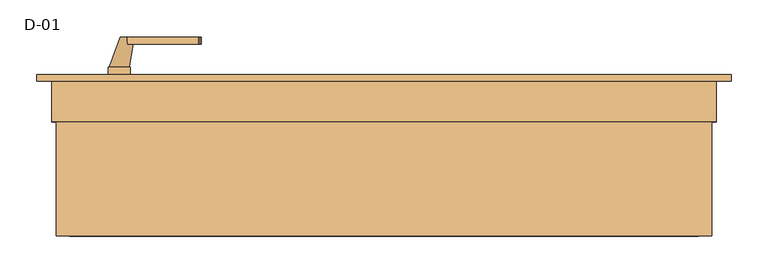
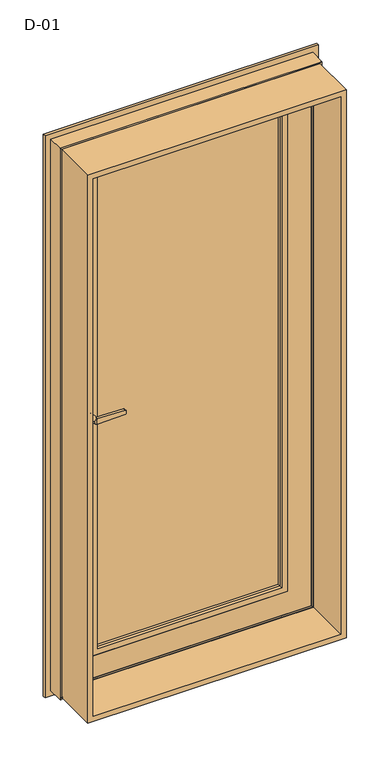
"""IFC4 building model written with IfcOpenShell, lengths in millimetres: door geometry, D-01."""

from ifc_helpers import new_model, si_unit, point, frame, frame_2d, origin, place, context, project, spatial, polyline, circle_curve, ellipse_curve, trimmed, segment, composite_curve, outline, extrude, faceted_brep, source, transform, mapped, element, save
from ifc_brep_helpers import plane_surface, cylinder_surface, revolved_surface, spline_surface, advanced_brep


def d_01_2412ff20(model_context):
    return source(origin(), model_context, "Body", "SolidModel", [
        extrude(outline(polyline([(329.0295117, 106.6069746), (329.0295117, 80.6069746), (-329.0295117, 80.6069746), (-329.0295117, 106.6069746), (329.0295117, 106.6069746)])), frame((0.0, 0.0, 120.9704883), z_axis=(0.0, 0.0, 1.0), x_axis=(1.0, 0.0, 0.0)), (0.0, 0.0, 1.0), 1758.0590235),
        extrude(outline(polyline([(1993.8, 443.8), (1993.8, -443.8), (6.2, -443.8), (6.2, 443.8), (1993.8, 443.8)]), holes=[polyline([(24.7, 425.3), (24.7, -425.3), (1975.3, -425.3), (1975.3, 425.3), (24.7, 425.3)])]), frame((0.0, -100.0, 0.0), z_axis=(0.0, 1.0, 0.0), x_axis=(0.0, 0.0, 1.0)), (0.0, 0.0, 1.0), 165.9999813),
        extrude(outline(composite_curve([segment(polyline([(895.7, -353.529519), (908.3261365, -353.529519)]), True, "CONTINUOUS"), segment(trimmed(circle_curve(frame_2d((915.2, -358.529519)), 8.5), [point((908.3261365, -353.529519))], [point((908.3261365, -363.529519))], False, "CARTESIAN"), True, "CONTINUOUS"), segment(polyline([(908.3261365, -363.529519), (895.7, -363.529519)]), True, "CONTINUOUS"), segment(trimmed(circle_curve(frame_2d((895.7, -358.529519)), 5.0), [point((895.7, -363.529519))], [point((895.7, -353.529519))], False, "CARTESIAN"), True, "CONTINUOUS")], self_intersect=False)), frame((0.0, 118.9997902, 0.0), z_axis=(0.0, 1.0, 0.0), x_axis=(0.0, 0.0, 1.0)), (0.0, 0.0, 1.0), 11.0),
        extrude(outline(composite_curve([segment(trimmed(circle_curve(frame_2d((956.1155661, -358.529519)), 97.2636214), [point((860.0, -373.429519))], [point((860.0, -343.629519))], False, "CARTESIAN"), True, "CONTINUOUS"), segment(polyline([(860.0, -343.629519), (1078.5, -343.629519)]), True, "CONTINUOUS"), segment(trimmed(circle_curve(frame_2d((982.3844339, -358.529519)), 97.2636214), [point((1078.5, -343.629519))], [point((1078.5, -373.429519))], False, "CARTESIAN"), True, "CONTINUOUS"), segment(polyline([(1078.5, -373.429519), (860.0, -373.429519)]), True, "CONTINUOUS")], self_intersect=False), holes=[composite_curve([segment(polyline([(895.7, -363.529519), (908.3261365, -363.529519)]), True, "CONTINUOUS"), segment(trimmed(circle_curve(frame_2d((915.2, -358.529519)), 8.5), [point((908.3261365, -363.529519))], [point((908.3261365, -353.529519))], True, "CARTESIAN"), True, "CONTINUOUS"), segment(polyline([(908.3261365, -353.529519), (895.7, -353.529519)]), True, "CONTINUOUS"), segment(trimmed(circle_curve(frame_2d((895.7, -358.529519)), 5.0), [point((895.7, -353.529519))], [point((895.7, -363.529519))], True, "CARTESIAN"), True, "CONTINUOUS")], self_intersect=False)]), frame((0.0, 118.9997902, 0.0), z_axis=(0.0, 1.0, 0.0), x_axis=(0.0, 0.0, 1.0)), (0.0, 0.0, 1.0), 10.0),
        extrude(outline(composite_curve([segment(polyline([(1009.5, -347.529519), (990.5, -347.529519), (993.0308731, -250.8793747)]), True, "CONTINUOUS"), segment(trimmed(circle_curve(frame_2d((995.0301877, -250.9317286)), 2.0), [point((993.0308731, -250.8793747))], [point((994.5125497, -248.9998769))], False, "CARTESIAN"), True, "CONTINUOUS"), segment(polyline([(994.5125497, -248.9998769), (1000.0, -247.529519), (1005.4874503, -248.9998769)]), True, "CONTINUOUS"), segment(trimmed(circle_curve(frame_2d((1004.9698123, -250.9317286)), 2.0), [point((1005.4874503, -248.9998769))], [point((1006.9691269, -250.8793747))], False, "CARTESIAN"), True, "CONTINUOUS"), segment(polyline([(1006.9691269, -250.8793747), (1009.5, -347.529519)]), True, "CONTINUOUS")], self_intersect=False)), frame((0.0, 159.9997902, 0.0), z_axis=(0.0, 1.0, 0.0), x_axis=(0.0, 0.0, 1.0)), (0.0, 0.0, 1.0), 10.0),
        advanced_brep(
        [(-357.029519, 169.9997902, 1000.0), (-338.029519, 169.9997902, 1000.0), (-371.929519, 128.9997902, 1000.0), (-345.129519, 128.9997902, 1000.0)],
        [
            (0, 1, circle_curve(frame((-347.529519, 169.9997902, 1000.0), z_axis=(0.0, 1.0, 0.0), x_axis=(1.0, 0.0, 0.0)), 9.5)),
            (1, 0, circle_curve(frame((-347.529519, 169.9997902, 1000.0), z_axis=(0.0, 1.0, 0.0), x_axis=(1.0, 0.0, 0.0)), 9.5)),
            (2, 3, circle_curve(frame((-358.529519, 128.9997902, 1000.0), z_axis=(0.0, -1.0, 0.0), x_axis=(1.0, 0.0, 0.0)), 13.4)),
            (3, 2, circle_curve(frame((-358.529519, 128.9997902, 1000.0), z_axis=(0.0, -1.0, 0.0), x_axis=(1.0, 0.0, 0.0)), 13.4)),
            (2, 0),
            (1, 3),
        ],
        [
            plane_surface(frame((-347.529519, 169.9997902, 1000.0), z_axis=(0.0, 1.0, 0.0), x_axis=(0.0, 0.0, -1.0))),
            plane_surface(frame((-358.529519, 128.9997902, 1000.0), z_axis=(0.0, -1.0, 0.0), x_axis=(0.0, 0.0, -1.0))),
            spline_surface(1, 2, [[(-371.929519, 128.9997902, 1000.0), (-371.929519, 128.9997902, 986.5999999999999), (-358.529519, 128.9997902, 986.5999999999999), (-345.12951899999996, 128.9997902, 986.5999999999999), (-345.129519, 128.9997902, 1000.0)], [(-357.029519, 169.9997902, 1000.0), (-357.029519, 169.9997902, 990.5), (-347.529519, 169.9997902, 990.5), (-338.029519, 169.9997902, 990.5), (-338.029519, 169.9997902, 1000.0)]], [2, 2], [3, 2, 3], [0.0, 1.0], [0.0, 1.0, 2.0], weights=[[1.0, 0.7071067811865476, 1.0, 0.707106781186546, 1.0], [1.0, 0.7071067811865476, 1.0, 0.707106781186546, 1.0]]),
            spline_surface(1, 2, [[(-345.129519, 128.9997902, 1000.0), (-345.129519, 128.9997902, 1013.4), (-358.529519, 128.9997902, 1013.4), (-371.92951899999997, 128.9997902, 1013.3999999999999), (-371.929519, 128.9997902, 1000.0)], [(-338.029519, 169.9997902, 1000.0), (-338.029519, 169.9997902, 1009.5), (-347.529519, 169.9997902, 1009.5), (-357.029519, 169.9997902, 1009.5), (-357.029519, 169.9997902, 1000.0)]], [2, 2], [3, 2, 3], [0.0, 1.0], [0.0, 1.0, 2.0], weights=[[1.0, 0.7071067811865476, 1.0, 0.707106781186549, 1.0], [1.0, 0.7071067811865476, 1.0, 0.707106781186549, 1.0]]),
        ],
        [
            (0, [[1, 2]]),
            (1, [[3, 4]]),
            (2, [[5, -2, 6, -3]]),
            (3, [[-6, -1, -5, -4]]),
        ],
    ),
        extrude(outline(composite_curve([segment(polyline([(895.7, -353.529519), (908.3261365, -353.529519)]), True, "CONTINUOUS"), segment(trimmed(circle_curve(frame_2d((915.2, -358.529519)), 8.5), [point((908.3261365, -353.529519))], [point((908.3261365, -363.529519))], False, "CARTESIAN"), True, "CONTINUOUS"), segment(polyline([(908.3261365, -363.529519), (895.7, -363.529519)]), True, "CONTINUOUS"), segment(trimmed(circle_curve(frame_2d((895.7, -358.529519)), 5.0), [point((895.7, -363.529519))], [point((895.7, -353.529519))], False, "CARTESIAN"), True, "CONTINUOUS")], self_intersect=False)), frame((0.0, 50.9997823, 0.0), z_axis=(0.0, 1.0, 0.0), x_axis=(0.0, 0.0, 1.0)), (0.0, 0.0, 1.0), 11.0),
        extrude(outline(composite_curve([segment(trimmed(circle_curve(frame_2d((956.1155661, -358.529519)), 97.2636214), [point((860.0, -373.429519))], [point((860.0, -343.629519))], False, "CARTESIAN"), True, "CONTINUOUS"), segment(polyline([(860.0, -343.629519), (1078.5, -343.629519)]), True, "CONTINUOUS"), segment(trimmed(circle_curve(frame_2d((982.3844339, -358.529519)), 97.2636214), [point((1078.5, -343.629519))], [point((1078.5, -373.429519))], False, "CARTESIAN"), True, "CONTINUOUS"), segment(polyline([(1078.5, -373.429519), (860.0, -373.429519)]), True, "CONTINUOUS")], self_intersect=False), holes=[composite_curve([segment(polyline([(895.7, -363.529519), (908.3261365, -363.529519)]), True, "CONTINUOUS"), segment(trimmed(circle_curve(frame_2d((915.2, -358.529519)), 8.5), [point((908.3261365, -363.529519))], [point((908.3261365, -353.529519))], True, "CARTESIAN"), True, "CONTINUOUS"), segment(polyline([(908.3261365, -353.529519), (895.7, -353.529519)]), True, "CONTINUOUS"), segment(trimmed(circle_curve(frame_2d((895.7, -358.529519)), 5.0), [point((895.7, -353.529519))], [point((895.7, -363.529519))], True, "CARTESIAN"), True, "CONTINUOUS")], self_intersect=False)]), frame((0.0, 51.9997823, 0.0), z_axis=(0.0, 1.0, 0.0), x_axis=(0.0, 0.0, 1.0)), (0.0, 0.0, 1.0), 10.0),
        extrude(outline(composite_curve([segment(polyline([(1009.5, -347.529519), (990.5, -347.529519), (993.0308731, -250.8793747)]), True, "CONTINUOUS"), segment(trimmed(circle_curve(frame_2d((995.0301877, -250.9317286)), 2.0), [point((993.0308731, -250.8793747))], [point((994.5125497, -248.9998769))], False, "CARTESIAN"), True, "CONTINUOUS"), segment(polyline([(994.5125497, -248.9998769), (1000.0, -247.529519), (1005.4874503, -248.9998769)]), True, "CONTINUOUS"), segment(trimmed(circle_curve(frame_2d((1004.9698123, -250.9317286)), 2.0), [point((1005.4874503, -248.9998769))], [point((1006.9691269, -250.8793747))], False, "CARTESIAN"), True, "CONTINUOUS"), segment(polyline([(1006.9691269, -250.8793747), (1009.5, -347.529519)]), True, "CONTINUOUS")], self_intersect=False)), frame((0.0, 10.9997823, 0.0), z_axis=(0.0, 1.0, 0.0), x_axis=(0.0, 0.0, 1.0)), (0.0, 0.0, 1.0), 10.0),
        advanced_brep(
        [(-357.029519, 10.9997823, 1000.0), (-338.029519, 10.9997823, 1000.0), (-371.929519, 51.9997823, 1000.0), (-345.129519, 51.9997823, 1000.0)],
        [
            (0, 1, circle_curve(frame((-347.529519, 10.9997823, 1000.0), z_axis=(0.0, -1.0, 0.0), x_axis=(1.0, 0.0, 0.0)), 9.5)),
            (1, 0, circle_curve(frame((-347.529519, 10.9997823, 1000.0), z_axis=(0.0, -1.0, 0.0), x_axis=(1.0, 0.0, 0.0)), 9.5)),
            (2, 3, circle_curve(frame((-358.529519, 51.9997823, 1000.0), z_axis=(0.0, 1.0, 0.0), x_axis=(1.0, 0.0, 0.0)), 13.4)),
            (3, 2, circle_curve(frame((-358.529519, 51.9997823, 1000.0), z_axis=(0.0, 1.0, 0.0), x_axis=(1.0, 0.0, 0.0)), 13.4)),
            (3, 1),
            (0, 2),
        ],
        [
            plane_surface(frame((-347.529519, 10.9997823, 1000.0), z_axis=(0.0, -1.0, 0.0), x_axis=(0.0, 0.0, -1.0))),
            plane_surface(frame((-358.529519, 51.9997823, 1000.0), z_axis=(0.0, 1.0, 0.0), x_axis=(0.0, 0.0, -1.0))),
            spline_surface(2, 1, [[(-371.929519, 51.9997823, 1000.0), (-357.029519, 10.9997823, 1000.0)], [(-371.929519, 51.9997823, 986.5999999999999), (-357.029519, 10.9997823, 990.5)], [(-358.529519, 51.9997823, 986.5999999999999), (-347.529519, 10.9997823, 990.5)], [(-345.12951899999996, 51.9997823, 986.5999999999999), (-338.029519, 10.9997823, 990.5)], [(-345.129519, 51.9997823, 1000.0), (-338.029519, 10.9997823, 1000.0)]], [3, 2, 3], [2, 2], [0.0, 1.0, 2.0], [0.0, 1.0], weights=[[1.0, 1.0], [0.7071067811865476, 0.7071067811865476], [1.0, 1.0], [0.707106781186546, 0.707106781186546], [1.0, 1.0]]),
            spline_surface(2, 1, [[(-345.129519, 51.9997823, 1000.0), (-338.029519, 10.9997823, 1000.0)], [(-345.129519, 51.9997823, 1013.4), (-338.029519, 10.9997823, 1009.5)], [(-358.529519, 51.9997823, 1013.4), (-347.529519, 10.9997823, 1009.5)], [(-371.92951899999997, 51.9997823, 1013.3999999999999), (-357.029519, 10.9997823, 1009.5)], [(-371.929519, 51.9997823, 1000.0), (-357.029519, 10.9997823, 1000.0)]], [3, 2, 3], [2, 2], [0.0, 1.0, 2.0], [0.0, 1.0], weights=[[1.0, 1.0], [0.7071067811865476, 0.7071067811865476], [1.0, 1.0], [0.707106781186549, 0.707106781186549], [1.0, 1.0]]),
        ],
        [
            (0, [[1, 2]]),
            (1, [[3, 4]]),
            (2, [[-4, 5, -1, 6]]),
            (3, [[-3, -6, -2, -5]]),
        ],
    ),
        faceted_brep([(416.029509, 65.5998024, 1966.029509), (416.029509, 61.9997823, 1966.029509), (416.029509, 61.9997823, 33.970491), (416.029509, 65.5998024, 33.970491), (-416.029509, 61.9997823, 1966.029509), (-416.029509, 61.9997823, 33.970491), (336.0295117, 61.9997823, 1886.0295117), (336.0295117, 61.9997823, 113.9704883), (-336.0295117, 61.9997823, 113.9704883), (-336.0295117, 61.9997823, 1886.0295117), (-416.029509, 65.5998024, 33.970491), (-416.029509, 65.5998024, 1966.029509), (-398.529519, 65.5998024, 1948.529519), (-398.529519, 65.5998024, 51.470481), (398.529519, 65.5998024, 51.470481), (398.529519, 65.5998024, 1948.529519), (398.529519, 112.0009527, 1948.529519), (398.529519, 112.0009527, 51.470481), (-398.529519, 112.0009527, 51.470481), (-398.529519, 112.0009527, 1948.529519), (-383.0352158, 112.0009527, 1933.0352158), (-383.0352158, 112.0009527, 66.9647842), (383.0352158, 112.0009527, 66.9647842), (383.0352158, 112.0009527, 1933.0352158), (383.0352158, 118.9997902, 1933.0352158), (383.0352158, 118.9997902, 66.9647842), (-383.0352158, 118.9997902, 66.9647842), (-383.0352158, 118.9997902, 1933.0352158), (-316.0300864, 118.9997902, 1866.0300864), (-316.0300864, 118.9997902, 133.9699136), (316.0300864, 118.9997902, 133.9699136), (316.0300864, 118.9997902, 1866.0300864), (316.0300864, 108.400954, 1866.0300864), (316.0300864, 108.400954, 133.9699136), (-316.0300864, 108.400954, 133.9699136), (-336.0295117, 108.400954, 1886.0295117), (-336.0295117, 108.400954, 113.9704883), (336.0295117, 108.400954, 113.9704883), (336.0295117, 108.400954, 1886.0295117), (-316.0300864, 108.400954, 1866.0300864)], [[[0, 1, 2, 3]], [[4, 5, 2, 1], [6, 7, 8, 9]], [[3, 2, 5, 10]], [[0, 3, 10, 11], [12, 13, 14, 15]], [[16, 15, 14, 17]], [[17, 14, 13, 18]], [[16, 17, 18, 19], [20, 21, 22, 23]], [[24, 23, 22, 25]], [[25, 22, 21, 26]], [[24, 25, 26, 27], [28, 29, 30, 31]], [[32, 31, 30, 33]], [[33, 30, 29, 34]], [[35, 36, 37, 38], [32, 33, 34, 39]], [[6, 38, 37, 7]], [[7, 37, 36, 8]], [[10, 5, 4, 11]], [[18, 13, 12, 19]], [[26, 21, 20, 27]], [[34, 29, 28, 39]], [[8, 36, 35, 9]], [[11, 4, 1, 0]], [[19, 12, 15, 16]], [[27, 20, 23, 24]], [[39, 28, 31, 32]], [[9, 35, 38, 6]]]),
        advanced_brep(
        [(316.0295117, 73.2768724, 1866.0295117), (313.8870152, 80.6069746, 1863.8870152), (313.8870152, 80.6069746, 136.1129848), (316.0295117, 73.2768724, 133.9704883), (316.0295117, 61.9997822, 1866.0295117), (316.0295117, 61.9997822, 133.9704883), (336.0295117, 80.6069746, 1886.0295117), (336.0295117, 61.9997822, 1886.0295117), (336.0295117, 61.9997822, 113.9704883), (336.0295117, 80.6069746, 113.9704883), (-313.8870152, 80.6069746, 136.1129848), (-316.0295117, 73.2768724, 133.9704883), (-316.0295117, 61.9997822, 133.9704883), (-336.0295117, 61.9997822, 113.9704883), (-336.0295117, 80.6069746, 113.9704883), (-313.8870152, 80.6069746, 1863.8870152), (-316.0295117, 73.2768724, 1866.0295117), (-316.0295117, 61.9997822, 1866.0295117), (-336.0295117, 61.9997822, 1886.0295117), (-336.0295117, 80.6069746, 1886.0295117)],
        [
            (0, 1, ellipse_curve(frame((296.4221, 71.5240364, 1846.4221), z_axis=(-0.7071067811865475, 0.0, 0.7071067811865475), x_axis=(-0.7071067811865474, 0.0, -0.7071067811865476)), 27.839649, 19.6856046)),
            (1, 2),
            (2, 3, ellipse_curve(frame((296.4221, 71.5240364, 153.5779), z_axis=(-0.7071067811865475, 0.0, -0.7071067811865475), x_axis=(0.7071067811865474, 0.0, -0.7071067811865476)), 27.839649, 19.6856046)),
            (3, 0),
            (4, 0),
            (3, 5),
            (5, 4),
            (6, 7),
            (7, 8),
            (8, 9),
            (9, 6),
            (2, 10),
            (10, 11, ellipse_curve(frame((-296.4221, 71.5240364, 153.5779), z_axis=(-0.7071067811865475, 0.0, 0.7071067811865475), x_axis=(-0.7071067811865476, 0.0, -0.7071067811865474)), 27.839649, 19.6856046)),
            (11, 3),
            (11, 12),
            (12, 5),
            (8, 13),
            (13, 14),
            (14, 9),
            (10, 15),
            (15, 16, ellipse_curve(frame((-296.4221, 71.5240364, 1846.4221), z_axis=(0.7071067811865475, 0.0, 0.7071067811865475), x_axis=(-0.7071067811865474, 0.0, 0.7071067811865476)), 27.839649, 19.6856046)),
            (16, 11),
            (16, 17),
            (17, 12),
            (13, 18),
            (18, 19),
            (19, 14),
            (19, 6),
            (1, 15),
            (0, 16),
            (4, 17),
            (7, 18),
        ],
        [
            revolved_surface(polyline([(316.1077046, 71.5240364, 133.8922954062466), (316.1077046, 71.5240364, 1866.1077045937534)]), (296.4221, 71.5240364, 1886.0295117), (0.0, 0.0, -1.0)),
            plane_surface(frame((316.0295117, 73.2768724, 1866.0295117), z_axis=(-1.0, 0.0, 0.0), x_axis=(0.0, 0.0, -1.0))),
            plane_surface(frame((336.0295117, 61.9997822, 1886.0295117), z_axis=(1.0, 0.0, 0.0), x_axis=(0.0, 0.0, -1.0))),
            revolved_surface(polyline([(-316.10770459375334, 71.5240364, 133.8922954), (316.1077045937533, 71.5240364, 133.8922954)]), (336.0295117, 71.5240364, 153.5779), (-1.0, 0.0, 0.0)),
            plane_surface(frame((316.0295117, 73.2768724, 133.9704883), z_axis=(0.0, 0.0, 1.0), x_axis=(-1.0, 0.0, 0.0))),
            plane_surface(frame((336.0295117, 61.9997822, 113.9704883), z_axis=(0.0, 0.0, -1.0), x_axis=(-1.0, 0.0, 0.0))),
            revolved_surface(polyline([(-316.1077046, 71.5240364, 1866.1077045937534), (-316.1077046, 71.5240364, 133.89229540624672)]), (-296.4221, 71.5240364, 113.9704883), (0.0, 0.0, 1.0)),
            plane_surface(frame((-316.0295117, 73.2768724, 133.9704883), z_axis=(1.0, 0.0, 0.0), x_axis=(0.0, 0.0, 1.0))),
            plane_surface(frame((-336.0295117, 61.9997822, 113.9704883), z_axis=(-1.0, 0.0, 0.0), x_axis=(0.0, 0.0, 1.0))),
            plane_surface(frame((-336.0295117, 80.6069746, 1886.0295117), z_axis=(0.0, 1.0, 0.0), x_axis=(1.0, 0.0, 0.0))),
            revolved_surface(polyline([(316.10770459375334, 71.5240364, 1866.1077046), (-316.1077045937533, 71.5240364, 1866.1077046)]), (-336.0295117, 71.5240364, 1846.4221), (1.0, 0.0, 0.0)),
            plane_surface(frame((-316.0295117, 73.2768724, 1866.0295117), z_axis=(0.0, 0.0, -1.0), x_axis=(1.0, 0.0, 0.0))),
            plane_surface(frame((-316.0295117, 61.9997822, 1866.0295117), z_axis=(0.0, -1.0, 0.0), x_axis=(1.0, 0.0, 0.0))),
            plane_surface(frame((-336.0295117, 61.9997822, 1886.0295117), z_axis=(0.0, 0.0, 1.0), x_axis=(1.0, 0.0, 0.0))),
        ],
        [
            (0, [[1, 2, 3, 4]]),
            (1, [[5, -4, 6, 7]]),
            (2, [[8, 9, 10, 11]]),
            (3, [[-3, 12, 13, 14]]),
            (4, [[-6, -14, 15, 16]]),
            (5, [[-10, 17, 18, 19]]),
            (6, [[-13, 20, 21, 22]]),
            (7, [[-15, -22, 23, 24]]),
            (8, [[-18, 25, 26, 27]]),
            (9, [[-19, -27, 28, -11], [29, -20, -12, -2]]),
            (10, [[-21, -29, -1, 30]]),
            (11, [[-23, -30, -5, 31]]),
            (12, [[32, -25, -17, -9], [-16, -24, -31, -7]]),
            (13, [[-26, -32, -8, -28]]),
        ],
    ),
        advanced_brep(
        [(470.000038, 110.0, 2020.000038), (470.000038, 110.0, -20.000038), (470.000038, 118.9999375, -20.000038), (470.000038, 118.9999375, 2020.000038), (-470.000038, 118.9999375, 2020.000038), (-470.000038, 118.9999375, -20.000038), (390.0004584, 118.9999375, 1940.0004584), (-390.0004584, 118.9999375, 1940.0004584), (-390.0004584, 118.9999375, 59.9995416), (390.0004584, 118.9999375, 59.9995416), (-470.000038, 110.0, -20.000038), (-470.000038, 110.0, 2020.000038), (-450.0, 110.0, 2000.0), (450.0, 110.0, 2000.0), (450.0, 110.0, 0.0), (-450.0, 110.0, 0.0), (450.0, 54.8507969, 2000.0), (450.0, 54.8507969, 0.0), (-450.0, 54.8507969, 0.0), (445.0001465, 54.8506112, 1995.0001465), (445.0001465, 54.8506112, 4.9998535), (-445.0001465, 54.8506112, 4.9998535), (445.0001465, 56.5920405, 1995.0001465), (445.0001465, 56.5920405, 4.9998535), (-445.0001465, 56.5920405, 4.9998535), (443.8001794, 56.5908144, 1993.8001794), (443.8001794, 56.5908144, 6.1998206), (-443.8001794, 56.5908144, 6.1998206), (443.8001794, 65.9999813, 1993.8001794), (443.8001794, 65.9999813, 6.1998206), (-443.8001794, 65.9999813, 6.1998206), (-443.8001794, 65.9999813, 1993.8001794), (-424.2001794, 65.9999813, 1974.2001794), (424.2001794, 65.9999813, 1974.2001794), (424.2001794, 65.9999813, 25.7998206), (-424.2001794, 65.9999813, 25.7998206), (424.2001794, 61.9999728, 1974.2001794), (424.2001794, 61.9999728, 25.7998206), (-424.2001794, 61.9999728, 25.7998206), (-424.2001794, 61.9999728, 1974.2001794), (-422.6156704, 61.9999728, 1972.6156704), (422.6156704, 61.9999728, 1972.6156704), (422.6156704, 61.9999728, 27.3843296), (-422.6156704, 61.9999728, 27.3843296), (422.8755675, 68.9999299, 1972.8755675), (422.8755675, 68.9999299, 27.1244325), (-422.8755675, 68.9999299, 27.1244325), (-422.8755675, 68.9999299, 1972.8755675), (-410.0002274, 68.9999299, 1960.0002274), (410.0002274, 68.9999299, 1960.0002274), (410.0002274, 68.9999299, 39.9997726), (-410.0002274, 68.9999299, 39.9997726), (410.0002274, 115.4000063, 1960.0002274), (410.0002274, 115.4000063, 39.9997726), (-410.0002274, 115.4000063, 39.9997726), (-410.0002274, 115.4000063, 1960.0002274), (-390.0004584, 115.4000063, 1940.0004584), (390.0004584, 115.4000063, 1940.0004584), (390.0004584, 115.4000063, 59.9995416), (-390.0004584, 115.4000063, 59.9995416), (-450.0, 54.8507969, 2000.0), (-445.0001465, 54.8506112, 1995.0001465), (-445.0001465, 56.5920405, 1995.0001465), (-443.8001794, 56.5908144, 1993.8001794)],
        [
            (0, 1),
            (1, 2),
            (2, 3),
            (3, 0),
            (4, 3),
            (2, 5),
            (5, 4),
            (6, 7),
            (7, 8),
            (8, 9),
            (9, 6),
            (1, 10),
            (10, 5),
            (0, 11),
            (11, 10),
            (12, 13),
            (13, 14),
            (14, 15),
            (15, 12),
            (16, 17),
            (17, 14),
            (13, 16),
            (17, 18),
            (18, 15),
            (19, 20),
            (20, 17, ellipse_curve(frame((447.5001465, 52.8785929, 2.4998535), z_axis=(-0.7071067811865475, 0.0, -0.7071067811865475), x_axis=(0.7071067811865474, 0.0, -0.7071067811865476)), 4.5030781, 3.184157)),
            (16, 19, ellipse_curve(frame((447.5001465, 52.8785929, 1997.5001465), z_axis=(-0.7071067811865475, 0.0, 0.7071067811865475), x_axis=(-0.7071067811865474, 0.0, -0.7071067811865476)), 4.5030781, 3.184157)),
            (20, 21),
            (21, 18, ellipse_curve(frame((-447.5001465, 52.8785929, 2.4998535), z_axis=(-0.7071067811865475, 0.0, 0.7071067811865475), x_axis=(-0.7071067811865476, 0.0, -0.7071067811865474)), 4.5030781, 3.184157)),
            (22, 23),
            (23, 20),
            (19, 22),
            (23, 24),
            (24, 21),
            (25, 26),
            (26, 23, ellipse_curve(frame((444.4001534, 56.6007652, 5.5998466), z_axis=(0.7071067811865475, 0.0, 0.7071067811865475), x_axis=(-0.7071067811865474, 0.0, 0.7071067811865476)), 0.8486081, 0.6000566)),
            (22, 25, ellipse_curve(frame((444.4001534, 56.6007652, 1994.4001534), z_axis=(0.7071067811865475, 0.0, -0.7071067811865475), x_axis=(0.7071067811865474, 0.0, 0.7071067811865476)), 0.8486081, 0.6000566)),
            (26, 27),
            (27, 24, ellipse_curve(frame((-444.4001534, 56.6007652, 5.5998466), z_axis=(0.7071067811865475, 0.0, -0.7071067811865475), x_axis=(0.7071067811865476, 0.0, 0.7071067811865474)), 0.8486081, 0.6000566)),
            (28, 29),
            (29, 26),
            (25, 28),
            (29, 30),
            (30, 27),
            (28, 31),
            (31, 30),
            (32, 33),
            (33, 34),
            (34, 35),
            (35, 32),
            (36, 37),
            (37, 34),
            (33, 36),
            (37, 38),
            (38, 35),
            (36, 39),
            (39, 38),
            (40, 41),
            (41, 42),
            (42, 43),
            (43, 40),
            (44, 45),
            (45, 42),
            (41, 44),
            (45, 46),
            (46, 43),
            (44, 47),
            (47, 46),
            (48, 49),
            (49, 50),
            (50, 51),
            (51, 48),
            (52, 53),
            (53, 50),
            (49, 52),
            (53, 54),
            (54, 51),
            (52, 55),
            (55, 54),
            (56, 57),
            (57, 58),
            (58, 59),
            (59, 56),
            (9, 58),
            (57, 6),
            (8, 59),
            (11, 4),
            (18, 60),
            (60, 12),
            (21, 61),
            (61, 60, ellipse_curve(frame((-447.5001465, 52.8785929, 1997.5001465), z_axis=(0.7071067811865475, 0.0, 0.7071067811865475), x_axis=(-0.7071067811865474, 0.0, 0.7071067811865476)), 4.5030781, 3.184157)),
            (24, 62),
            (62, 61),
            (27, 63),
            (63, 62, ellipse_curve(frame((-444.4001534, 56.6007652, 1994.4001534), z_axis=(-0.7071067811865475, 0.0, -0.7071067811865475), x_axis=(0.7071067811865474, 0.0, -0.7071067811865476)), 0.8486081, 0.6000566)),
            (31, 63),
            (39, 32),
            (47, 40),
            (55, 48),
            (7, 56),
            (60, 16),
            (61, 19),
            (62, 22),
            (63, 25),
        ],
        [
            plane_surface(frame((470.000038, 118.9999375, 2020.000038), z_axis=(1.0, 0.0, 0.0), x_axis=(0.0, 0.0, -1.0))),
            plane_surface(frame((-390.0004584, 118.9999375, 59.9995416), z_axis=(0.0, 1.0, 0.0), x_axis=(0.0, 0.0, 1.0))),
            plane_surface(frame((470.000038, 118.9999375, -20.000038), z_axis=(0.0, 0.0, -1.0), x_axis=(-1.0, 0.0, 0.0))),
            plane_surface(frame((-470.000038, 110.0, -20.000038), z_axis=(0.0, -1.0, 0.0), x_axis=(0.0, 0.0, 1.0))),
            plane_surface(frame((450.0, 110.0, 2000.0), z_axis=(1.0, 0.0, 0.0), x_axis=(0.0, 0.0, -1.0))),
            plane_surface(frame((450.0, 110.0, 0.0), z_axis=(0.0, 0.0, -1.0), x_axis=(-1.0, 0.0, 0.0))),
            revolved_surface(polyline([(450.68430350000006, 52.8785929, -0.6843035607225829), (450.68430350000006, 52.8785929, 2000.6843035607226)]), (447.5001465, 52.8785929, 2000.0), (0.0, 0.0, -1.0)),
            revolved_surface(polyline([(-450.6843035607227, 52.8785929, -0.6843035), (450.68430356072264, 52.8785929, -0.6843035)]), (450.0, 52.8785929, 2.4998535), (-1.0, 0.0, 0.0)),
            plane_surface(frame((445.0001465, 54.8506112, 1995.0001465), z_axis=(-1.0, 0.0, 0.0), x_axis=(0.0, 0.0, -1.0))),
            plane_surface(frame((445.0001465, 54.8506112, 4.9998535), z_axis=(0.0, 0.0, 1.0), x_axis=(-1.0, 0.0, 0.0))),
            cylinder_surface(frame((444.4001534, 56.6007652, 2000.0), z_axis=(0.0, 0.0, 1.0), x_axis=(1.0, 0.0, 0.0)), 0.6000566),
            cylinder_surface(frame((450.0, 56.6007652, 5.5998466), z_axis=(1.0, 0.0, 0.0), x_axis=(0.0, 0.0, -1.0)), 0.6000566),
            plane_surface(frame((443.8001794, 56.5908144, 1993.8001794), z_axis=(-1.0, 0.0, 0.0), x_axis=(0.0, 0.0, -1.0))),
            plane_surface(frame((443.8001794, 56.5908144, 6.1998206), z_axis=(0.0, 0.0, 1.0), x_axis=(-1.0, 0.0, 0.0))),
            plane_surface(frame((-443.8001794, 65.9999813, 6.1998206), z_axis=(0.0, -1.0, 0.0), x_axis=(0.0, 0.0, 1.0))),
            plane_surface(frame((424.2001794, 65.9999813, 1974.2001794), z_axis=(1.0, 0.0, 0.0), x_axis=(0.0, 0.0, -1.0))),
            plane_surface(frame((424.2001794, 65.9999813, 25.7998206), z_axis=(0.0, 0.0, -1.0), x_axis=(-1.0, 0.0, 0.0))),
            plane_surface(frame((-424.2001794, 61.9999728, 25.7998206), z_axis=(0.0, -1.0, 0.0), x_axis=(0.0, 0.0, 1.0))),
            plane_surface(frame((422.6156704, 61.9999728, 1972.6156704), z_axis=(-0.9993114533203381, 0.03710282014609819, 0.0), x_axis=(0.0, 0.0, -1.0))),
            plane_surface(frame((422.6156704, 61.9999728, 27.3843296), z_axis=(0.0, 0.03710282014609207, 0.9993114533203383), x_axis=(-1.0, 0.0, 0.0))),
            plane_surface(frame((-422.8755675, 68.9999299, 27.1244325), z_axis=(0.0, -1.0, 0.0), x_axis=(0.0, 0.0, 1.0))),
            plane_surface(frame((410.0002274, 68.9999299, 1960.0002274), z_axis=(-1.0, 0.0, 0.0), x_axis=(0.0, 0.0, -1.0))),
            plane_surface(frame((410.0002274, 68.9999299, 39.9997726), z_axis=(0.0, 0.0, 1.0), x_axis=(-1.0, 0.0, 0.0))),
            plane_surface(frame((-410.0002274, 115.4000063, 39.9997726), z_axis=(0.0, -1.0, 0.0), x_axis=(0.0, 0.0, 1.0))),
            plane_surface(frame((390.0004584, 115.4000063, 1940.0004584), z_axis=(-1.0, 0.0, 0.0), x_axis=(0.0, 0.0, -1.0))),
            plane_surface(frame((390.0004584, 115.4000063, 59.9995416), z_axis=(0.0, 0.0, 1.0), x_axis=(-1.0, 0.0, 0.0))),
            plane_surface(frame((-470.000038, 118.9999375, -20.000038), z_axis=(-1.0, 0.0, 0.0), x_axis=(0.0, 0.0, 1.0))),
            plane_surface(frame((-450.0, 110.0, 0.0), z_axis=(-1.0, 0.0, 0.0), x_axis=(0.0, 0.0, 1.0))),
            revolved_surface(polyline([(-450.68430350000006, 52.8785929, 2000.6843035607226), (-450.68430350000006, 52.8785929, -0.6843035607226331)]), (-447.5001465, 52.8785929, 0.0), (0.0, 0.0, 1.0)),
            plane_surface(frame((-445.0001465, 54.8506112, 4.9998535), z_axis=(1.0, 0.0, 0.0), x_axis=(0.0, 0.0, 1.0))),
            cylinder_surface(frame((-444.4001534, 56.6007652, 0.0), z_axis=(0.0, 0.0, -1.0), x_axis=(-1.0, 0.0, 0.0)), 0.6000566),
            plane_surface(frame((-443.8001794, 56.5908144, 6.1998206), z_axis=(1.0, 0.0, 0.0), x_axis=(0.0, 0.0, 1.0))),
            plane_surface(frame((-424.2001794, 65.9999813, 25.7998206), z_axis=(-1.0, 0.0, 0.0), x_axis=(0.0, 0.0, 1.0))),
            plane_surface(frame((-422.6156704, 61.9999728, 27.3843296), z_axis=(0.9993114533203387, 0.03710282014608596, 0.0), x_axis=(0.0, 0.0, 1.0))),
            plane_surface(frame((-410.0002274, 68.9999299, 39.9997726), z_axis=(1.0, 0.0, 0.0), x_axis=(0.0, 0.0, 1.0))),
            plane_surface(frame((-390.0004584, 115.4000063, 59.9995416), z_axis=(1.0, 0.0, 0.0), x_axis=(0.0, 0.0, 1.0))),
            plane_surface(frame((-470.000038, 118.9999375, 2020.000038), z_axis=(0.0, 0.0, 1.0), x_axis=(1.0, 0.0, 0.0))),
            plane_surface(frame((-450.0, 110.0, 2000.0), z_axis=(0.0, 0.0, 1.0), x_axis=(1.0, 0.0, 0.0))),
            revolved_surface(polyline([(450.6843035607227, 52.8785929, 2000.6843035), (-450.68430356072264, 52.8785929, 2000.6843035)]), (-450.0, 52.8785929, 1997.5001465), (1.0, 0.0, 0.0)),
            plane_surface(frame((-445.0001465, 54.8506112, 1995.0001465), z_axis=(0.0, 0.0, -1.0), x_axis=(1.0, 0.0, 0.0))),
            cylinder_surface(frame((-450.0, 56.6007652, 1994.4001534), z_axis=(-1.0, 0.0, 0.0), x_axis=(0.0, 0.0, 1.0)), 0.6000566),
            plane_surface(frame((-443.8001794, 56.5908144, 1993.8001794), z_axis=(0.0, 0.0, -1.0), x_axis=(1.0, 0.0, 0.0))),
            plane_surface(frame((-424.2001794, 65.9999813, 1974.2001794), z_axis=(0.0, 0.0, 1.0), x_axis=(1.0, 0.0, 0.0))),
            plane_surface(frame((-422.6156704, 61.9999728, 1972.6156704), z_axis=(0.0, 0.03710282014609207, -0.9993114533203383), x_axis=(1.0, 0.0, 0.0))),
            plane_surface(frame((-410.0002274, 68.9999299, 1960.0002274), z_axis=(0.0, 0.0, -1.0), x_axis=(1.0, 0.0, 0.0))),
            plane_surface(frame((-390.0004584, 115.4000063, 1940.0004584), z_axis=(0.0, 0.0, -1.0), x_axis=(1.0, 0.0, 0.0))),
        ],
        [
            (0, [[1, 2, 3, 4]]),
            (1, [[5, -3, 6, 7], [8, 9, 10, 11]]),
            (2, [[12, 13, -6, -2]]),
            (3, [[14, 15, -12, -1], [16, 17, 18, 19]]),
            (4, [[20, 21, -17, 22]]),
            (5, [[23, 24, -18, -21]]),
            (6, [[25, 26, -20, 27]]),
            (7, [[28, 29, -23, -26]]),
            (8, [[30, 31, -25, 32]]),
            (9, [[33, 34, -28, -31]]),
            (10, [[35, 36, -30, 37]]),
            (11, [[38, 39, -33, -36]]),
            (12, [[40, 41, -35, 42]]),
            (13, [[43, 44, -38, -41]]),
            (14, [[45, 46, -43, -40], [47, 48, 49, 50]]),
            (15, [[51, 52, -48, 53]]),
            (16, [[54, 55, -49, -52]]),
            (17, [[56, 57, -54, -51], [58, 59, 60, 61]]),
            (18, [[62, 63, -59, 64]]),
            (19, [[65, 66, -60, -63]]),
            (20, [[67, 68, -65, -62], [69, 70, 71, 72]]),
            (21, [[73, 74, -70, 75]]),
            (22, [[76, 77, -71, -74]]),
            (23, [[78, 79, -76, -73], [80, 81, 82, 83]]),
            (24, [[-11, 84, -81, 85]]),
            (25, [[-10, 86, -82, -84]]),
            (26, [[-15, 87, -7, -13]]),
            (27, [[88, 89, -19, -24]]),
            (28, [[90, 91, -88, -29]]),
            (29, [[92, 93, -90, -34]]),
            (30, [[94, 95, -92, -39]]),
            (31, [[-46, 96, -94, -44]]),
            (32, [[-57, 97, -50, -55]]),
            (33, [[-68, 98, -61, -66]]),
            (34, [[-79, 99, -72, -77]]),
            (35, [[-9, 100, -83, -86]]),
            (36, [[-14, -4, -5, -87]]),
            (37, [[101, -22, -16, -89]]),
            (38, [[102, -27, -101, -91]]),
            (39, [[103, -32, -102, -93]]),
            (40, [[104, -37, -103, -95]]),
            (41, [[-45, -42, -104, -96]]),
            (42, [[-56, -53, -47, -97]]),
            (43, [[-67, -64, -58, -98]]),
            (44, [[-78, -75, -69, -99]]),
            (45, [[-8, -85, -80, -100]]),
        ],
    ),
    ])


if __name__ == "__main__":
    model = new_model("IFC4")
    model_context = context("Model", 3, world=origin())
    ifc_project = project(units=[si_unit("LENGTHUNIT", "METRE", prefix="MILLI")], contexts=[model_context])
    site = spatial("IfcSite", under=ifc_project)
    building = spatial("IfcBuilding", under=site)
    placement = place(None, origin())
    d_01_shape = d_01_2412ff20(model_context)
    element("IfcDoor", 1, ObjectType="D-01", at=placement, inside=building, context=model_context, shape_type="MappedRepresentation", body=[
        mapped(d_01_shape, transform((0.0, 0.0, 0.0), x_axis=(1.0, 0.0, 0.0), y_axis=(0.0, 1.0, 0.0), z_axis=(0.0, 0.0, 1.0))),
    ])
    save(model, "model.ifc")
